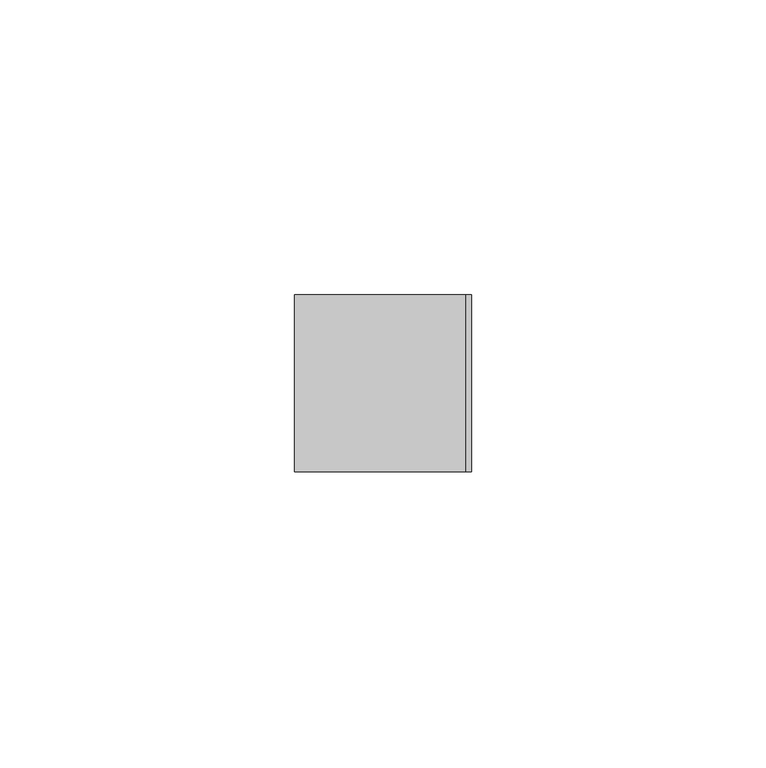
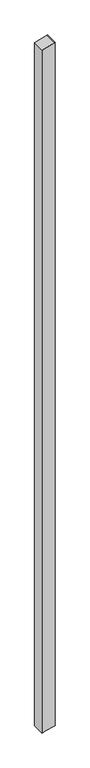
"""IFC4 building model written with IfcOpenShell, lengths in millimetres: member geometry."""

from ifc_helpers import new_model, si_unit, frame, origin, place, context, project, spatial, polyline, outline, extrude, source, transform, mapped, element, save


def member_d6eb17ae(model_context):
    return source(origin(), model_context, "Body", "SweptSolid", [
        extrude(outline(polyline([(-47.7068097, 15.0), (-47.9795878, 14.0697958), (-56.5041731, -15.0), (-1746.3062681, -15.0), (-1744.0207891, -6.4704761), (-1738.2677924, 15.0), (-47.7068097, 15.0)])), frame((0.0, -15.0, 0.0), z_axis=(0.0, 1.0, 0.0), x_axis=(0.0, 0.0, 1.0)), (0.0, 0.0, 1.0), 30.0),
    ])


if __name__ == "__main__":
    model = new_model("IFC4")
    model_context = context("Model", 3, world=origin())
    ifc_project = project(units=[si_unit("LENGTHUNIT", "METRE", prefix="MILLI")], contexts=[model_context])
    site = spatial("IfcSite", under=ifc_project)
    building = spatial("IfcBuilding", under=site)
    placement = place(None, origin())
    member_shape = member_d6eb17ae(model_context)
    element("IfcMember", 1, at=placement, inside=building, context=model_context, shape_type="MappedRepresentation", body=[
        mapped(member_shape, transform((0.0, 0.0, 0.0), x_axis=(1.0, 0.0, 0.0), y_axis=(0.0, 1.0, 0.0), z_axis=(0.0, 0.0, 1.0))),
    ])
    save(model, "model.ifc")
